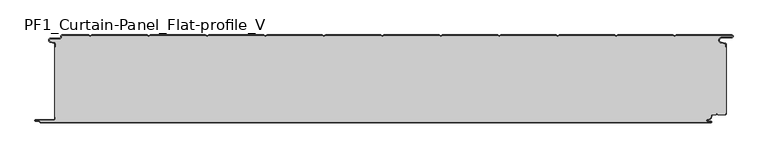
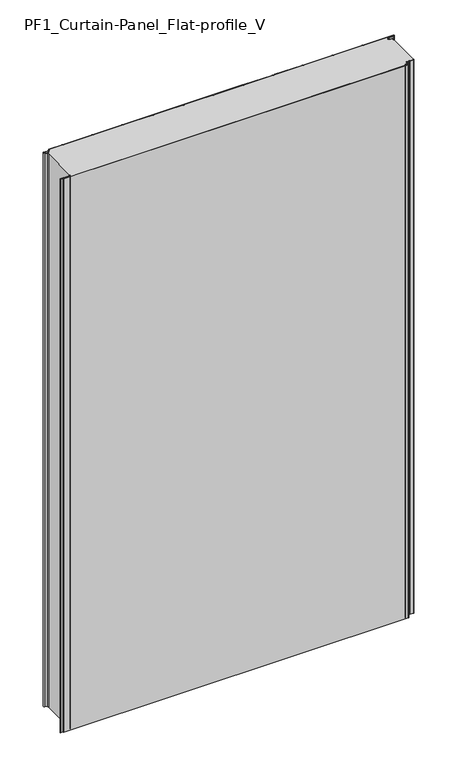
"""IFC4 building model written with IfcOpenShell, lengths in millimetres: plate geometry, PF1_Curtain-Panel_Flat-profile_V."""

from ifc_helpers import new_model, si_unit, point, frame_2d, origin, origin_with_axes, place, context, project, spatial, polyline, circle_curve, trimmed, segment, composite_curve, outline, extrude, source, transform, mapped, element, save


def pf1_curtain_panel_flat_profile_v_b2ac1d8e(model_context):
    return source(origin(), model_context, "Body", "SweptSolid", [
        extrude(outline(composite_curve([segment(trimmed(circle_curve(frame_2d((-577.0, -15.878557)), 2.0), [point((-575.0, -15.878557))], [point((-576.5500978, -13.9298169))], True, "CARTESIAN"), True, "CONTINUOUS"), segment(polyline([(-576.5500978, -13.9298169), (-582.7098239, -12.507732)]), True, "CONTINUOUS"), segment(trimmed(circle_curve(frame_2d((-581.9, -9.0)), 3.6), [point((-582.7098239, -12.507732))], [point((-581.9, -5.4))], False, "CARTESIAN"), True, "CONTINUOUS"), segment(polyline([(-581.9, -5.4), (-566.4, -5.4)]), True, "CONTINUOUS"), segment(trimmed(circle_curve(frame_2d((-566.4, -3.4)), 2.0), [point((-566.4, -5.4))], [point((-564.4, -3.4))], True, "CARTESIAN"), True, "CONTINUOUS"), segment(polyline([(-564.4, -3.4), (-564.4, -2.0)]), True, "CONTINUOUS"), segment(trimmed(circle_curve(frame_2d((-562.4, -2.0)), 2.0), [point((-564.4, -2.0))], [point((-562.4, 0.0))], False, "CARTESIAN"), True, "CONTINUOUS"), segment(polyline([(-562.4, 0.0), (-517.0999995, 0.0), (-514.4, -1.5588455), (-511.7000005, 0.0), (-417.0999995, 0.0), (-414.4, -1.5588455), (-411.7000005, 0.0), (-317.0999995, 0.0), (-314.4, -1.5588455), (-311.7000005, 0.0), (-217.0999995, 0.0), (-214.4, -1.5588455), (-211.7000005, 0.0), (-117.0999995, 0.0), (-114.4, -1.5588455), (-111.7000005, 0.0), (-17.0999995, 0.0), (-14.4, -1.5588455), (-11.7000005, 0.0), (82.9000005, 0.0), (85.6, -1.5588455), (88.2999995, 0.0), (182.9000005, 0.0), (185.6, -1.5588455), (188.2999995, 0.0), (282.9000005, 0.0), (285.6, -1.5588455), (288.2999995, 0.0), (382.9000005, 0.0), (385.6, -1.5588455), (388.2999995, 0.0), (482.9000005, 0.0), (485.6, -1.5588455), (488.2999995, 0.0), (583.268846, 0.0)]), True, "CONTINUOUS"), segment(trimmed(circle_curve(frame_2d((583.268846, -2.5)), 2.5), [point((583.268846, 0.0))], [point((583.268846, -5.0))], False, "CARTESIAN"), True, "CONTINUOUS"), segment(polyline([(583.268846, -5.0), (566.268846, -5.0)]), True, "CONTINUOUS"), segment(trimmed(circle_curve(frame_2d((566.268846, -9.0)), 4.0), [point((566.268846, -5.0))], [point((565.574253, -12.939231))], True, "CARTESIAN"), True, "CONTINUOUS"), segment(polyline([(565.574253, -12.939231), (572.0203315, -14.0758491)]), True, "CONTINUOUS"), segment(trimmed(circle_curve(frame_2d((571.568846, -16.6363492)), 2.6), [point((572.0203315, -14.0758491))], [point((574.168846, -16.6363492))], False, "CARTESIAN"), True, "CONTINUOUS"), segment(polyline([(574.168846, -16.6363492), (574.168846, -20.0), (573.368846, -20.0), (573.368846, -16.6363492)]), True, "CONTINUOUS"), segment(trimmed(circle_curve(frame_2d((571.568846, -16.6363492)), 1.8), [point((573.368846, -16.6363492))], [point((571.8814129, -14.8636953))], True, "CARTESIAN"), True, "CONTINUOUS"), segment(polyline([(571.8814129, -14.8636953), (565.4353344, -13.7270772)]), True, "CONTINUOUS"), segment(trimmed(circle_curve(frame_2d((566.268846, -9.0)), 4.8), [point((565.4353344, -13.7270772))], [point((566.268846, -4.2))], False, "CARTESIAN"), True, "CONTINUOUS"), segment(polyline([(566.268846, -4.2), (583.268846, -4.2)]), True, "CONTINUOUS"), segment(trimmed(circle_curve(frame_2d((583.268846, -2.5)), 1.7), [point((583.268846, -4.2))], [point((583.268846, -0.8))], True, "CARTESIAN"), True, "CONTINUOUS"), segment(polyline([(583.268846, -0.8), (488.5143588, -0.8), (485.6, -2.482606), (482.6856412, -0.8), (388.5143588, -0.8), (385.6, -2.482606), (382.6856412, -0.8), (288.5143588, -0.8), (285.6, -2.482606), (282.6856412, -0.8), (188.5143588, -0.8), (185.6, -2.482606), (182.6856412, -0.8), (88.5143588, -0.8), (85.6, -2.482606), (82.6856412, -0.8), (-11.4856412, -0.8), (-14.4, -2.482606), (-17.3143588, -0.8), (-111.4856412, -0.8), (-114.4, -2.482606), (-117.3143588, -0.8), (-211.4856412, -0.8), (-214.4, -2.482606), (-217.3143588, -0.8), (-311.4856412, -0.8), (-314.4, -2.482606), (-317.3143588, -0.8), (-411.4856412, -0.8), (-414.4, -2.482606), (-417.3143588, -0.8), (-511.4856412, -0.8), (-514.4, -2.482606), (-517.3143588, -0.8), (-562.4, -0.8)]), True, "CONTINUOUS"), segment(trimmed(circle_curve(frame_2d((-562.4, -2.0)), 1.2), [point((-562.4, -0.8))], [point((-563.6, -2.0))], True, "CARTESIAN"), True, "CONTINUOUS"), segment(polyline([(-563.6, -2.0), (-563.6, -3.4)]), True, "CONTINUOUS"), segment(trimmed(circle_curve(frame_2d((-566.4, -3.4)), 2.8), [point((-563.6, -3.4))], [point((-566.4, -6.2))], False, "CARTESIAN"), True, "CONTINUOUS"), segment(polyline([(-566.4, -6.2), (-581.9, -6.2)]), True, "CONTINUOUS"), segment(trimmed(circle_curve(frame_2d((-581.9, -9.0)), 2.8), [point((-581.9, -6.2))], [point((-582.529863, -11.7282362))], True, "CARTESIAN"), True, "CONTINUOUS"), segment(polyline([(-582.529863, -11.7282362), (-576.370137, -13.150321)]), True, "CONTINUOUS"), segment(trimmed(circle_curve(frame_2d((-577.0, -15.878557)), 2.8), [point((-576.370137, -13.150321))], [point((-574.2, -15.878557))], False, "CARTESIAN"), True, "CONTINUOUS"), segment(polyline([(-574.2, -15.878557), (-574.2, -20.0), (-575.0, -20.0), (-575.0, -15.878557)]), True, "CONTINUOUS")], self_intersect=False)), origin_with_axes(), (0.0, 0.0, 1.0), 1945.7507136),
        extrude(outline(composite_curve([segment(polyline([(-574.2, -140.0), (-575.0, -140.0), (-575.0, -20.0), (-574.2, -20.0), (-574.2, -15.878557)]), True, "CONTINUOUS"), segment(trimmed(circle_curve(frame_2d((-577.0, -15.878557)), 2.8), [point((-574.2, -15.878557))], [point((-576.370137, -13.1503208))], True, "CARTESIAN"), True, "CONTINUOUS"), segment(polyline([(-576.370137, -13.1503208), (-582.529863, -11.7282362)]), True, "CONTINUOUS"), segment(trimmed(circle_curve(frame_2d((-581.9, -9.0)), 2.8), [point((-582.529863, -11.7282362))], [point((-581.9, -6.2))], False, "CARTESIAN"), True, "CONTINUOUS"), segment(polyline([(-581.9, -6.2), (-566.4, -6.2)]), True, "CONTINUOUS"), segment(trimmed(circle_curve(frame_2d((-566.4, -3.4)), 2.8), [point((-566.4, -6.2))], [point((-563.6, -3.4))], True, "CARTESIAN"), True, "CONTINUOUS"), segment(polyline([(-563.6, -3.4), (-563.6, -2.0)]), True, "CONTINUOUS"), segment(trimmed(circle_curve(frame_2d((-562.4, -2.0)), 1.2), [point((-563.6, -2.0))], [point((-562.4, -0.8))], False, "CARTESIAN"), True, "CONTINUOUS"), segment(polyline([(-562.4, -0.8), (-517.3143588, -0.8), (-514.4, -2.482606), (-511.4856412, -0.8), (-417.3143588, -0.8), (-414.4, -2.482606), (-411.4856412, -0.8), (-317.3143588, -0.8), (-314.4, -2.482606), (-311.4856412, -0.8), (-217.3143588, -0.8), (-214.4, -2.482606), (-211.4856412, -0.8), (-117.3143588, -0.8), (-114.4, -2.482606), (-111.4856412, -0.8), (-17.3143588, -0.8), (-14.4, -2.482606), (-11.4856412, -0.8), (82.6856412, -0.8), (85.6, -2.482606), (88.5143588, -0.8), (182.6856412, -0.8), (185.6, -2.482606), (188.5143588, -0.8), (282.6856412, -0.8), (285.6, -2.482606), (288.5143588, -0.8), (382.6856412, -0.8), (385.6, -2.482606), (388.5143588, -0.8), (482.6856412, -0.8), (485.6, -2.482606), (488.5143588, -0.8), (583.268846, -0.8)]), True, "CONTINUOUS"), segment(trimmed(circle_curve(frame_2d((583.268846, -2.5)), 1.7), [point((583.268846, -0.8))], [point((583.268846, -4.2))], False, "CARTESIAN"), True, "CONTINUOUS"), segment(polyline([(583.268846, -4.2), (566.268846, -4.2)]), True, "CONTINUOUS"), segment(trimmed(circle_curve(frame_2d((566.268846, -9.0)), 4.8), [point((566.268846, -4.2))], [point((565.4353344, -13.7270772))], True, "CARTESIAN"), True, "CONTINUOUS"), segment(polyline([(565.4353344, -13.7270772), (571.8814129, -14.8636953)]), True, "CONTINUOUS"), segment(trimmed(circle_curve(frame_2d((571.568846, -16.6363492)), 1.8), [point((571.8814129, -14.8636953))], [point((573.368846, -16.6363492))], False, "CARTESIAN"), True, "CONTINUOUS"), segment(polyline([(573.368846, -16.6363492), (573.368846, -20.0), (574.168846, -20.0), (574.168846, -133.0), (573.368846, -133.0), (573.368846, -134.4)]), True, "CONTINUOUS"), segment(trimmed(circle_curve(frame_2d((571.568846, -134.4)), 1.8), [point((573.368846, -134.4))], [point((571.568846, -136.2))], False, "CARTESIAN"), True, "CONTINUOUS"), segment(polyline([(571.568846, -136.2), (560.0002158, -136.2), (558.168846, -134.3686285), (556.3374762, -136.2), (550.168846, -136.2)]), True, "CONTINUOUS"), segment(trimmed(circle_curve(frame_2d((550.168846, -138.0)), 1.8), [point((550.168846, -136.2))], [point((548.368846, -138.0))], True, "CARTESIAN"), True, "CONTINUOUS"), segment(polyline([(548.368846, -138.0), (548.368846, -138.8276204)]), True, "CONTINUOUS"), segment(trimmed(circle_curve(frame_2d((542.9964664, -138.8276204)), 5.3723796), [point((548.368846, -138.8276204))], [point((542.9964664, -144.2))], False, "CARTESIAN"), True, "CONTINUOUS"), segment(polyline([(542.9964664, -144.2), (542.168846, -144.2)]), True, "CONTINUOUS"), segment(trimmed(circle_curve(frame_2d((542.168846, -146.4)), 2.2), [point((542.168846, -144.2))], [point((542.168846, -148.6))], True, "CARTESIAN"), True, "CONTINUOUS"), segment(polyline([(542.168846, -148.6), (548.0579973, -148.6)]), True, "CONTINUOUS"), segment(trimmed(circle_curve(frame_2d((548.0579973, -148.9)), 0.3), [point((548.0579973, -148.6))], [point((548.0579973, -149.2))], False, "CARTESIAN"), True, "CONTINUOUS"), segment(polyline([(548.0579973, -149.2), (-599.4, -149.2)]), True, "CONTINUOUS"), segment(trimmed(circle_curve(frame_2d((-599.4, -148.4)), 0.8), [point((-599.4, -149.2))], [point((-600.2, -148.4))], False, "CARTESIAN"), True, "CONTINUOUS"), segment(trimmed(circle_curve(frame_2d((-601.9, -148.6133333)), 1.7133333), [point((-600.2, -148.4))], [point((-601.9, -146.9))], True, "CARTESIAN"), True, "CONTINUOUS"), segment(polyline([(-601.9, -146.9), (-607.8700312, -146.9)]), True, "CONTINUOUS"), segment(trimmed(circle_curve(frame_2d((-607.8700312, -146.6)), 0.3), [point((-607.8700312, -146.9))], [point((-607.8700312, -146.3))], False, "CARTESIAN"), True, "CONTINUOUS"), segment(polyline([(-607.8700312, -146.3), (-577.0, -146.3)]), True, "CONTINUOUS"), segment(trimmed(circle_curve(frame_2d((-577.0, -143.5)), 2.8), [point((-577.0, -146.3))], [point((-574.2, -143.5))], True, "CARTESIAN"), True, "CONTINUOUS"), segment(polyline([(-574.2, -143.5), (-574.2, -140.0)]), True, "CONTINUOUS")], self_intersect=False)), origin_with_axes(), (0.0, 0.0, 1.0), 1945.7507136),
        extrude(outline(composite_curve([segment(polyline([(-575.0, -140.0), (-574.2, -140.0), (-574.2, -143.5)]), True, "CONTINUOUS"), segment(trimmed(circle_curve(frame_2d((-577.0, -143.5)), 2.8), [point((-574.2, -143.5))], [point((-577.0, -146.3))], False, "CARTESIAN"), True, "CONTINUOUS"), segment(polyline([(-577.0, -146.3), (-607.8700312, -146.3)]), True, "CONTINUOUS"), segment(trimmed(circle_curve(frame_2d((-607.8700312, -146.6)), 0.3), [point((-607.8700312, -146.3))], [point((-607.8700312, -146.9))], True, "CARTESIAN"), True, "CONTINUOUS"), segment(polyline([(-607.8700312, -146.9), (-601.9, -146.9)]), True, "CONTINUOUS"), segment(trimmed(circle_curve(frame_2d((-601.9, -148.6133333)), 1.7133333), [point((-601.9, -146.9))], [point((-600.2, -148.4))], False, "CARTESIAN"), True, "CONTINUOUS"), segment(trimmed(circle_curve(frame_2d((-599.4, -148.4)), 0.8), [point((-600.2, -148.4))], [point((-599.4, -149.2))], True, "CARTESIAN"), True, "CONTINUOUS"), segment(polyline([(-599.4, -149.2), (548.0579973, -149.2)]), True, "CONTINUOUS"), segment(trimmed(circle_curve(frame_2d((548.0579973, -148.9)), 0.3), [point((548.0579973, -149.2))], [point((548.0579973, -148.6))], True, "CARTESIAN"), True, "CONTINUOUS"), segment(polyline([(548.0579973, -148.6), (542.168846, -148.6)]), True, "CONTINUOUS"), segment(trimmed(circle_curve(frame_2d((542.168846, -146.4)), 2.2), [point((542.168846, -148.6))], [point((542.168846, -144.2))], False, "CARTESIAN"), True, "CONTINUOUS"), segment(polyline([(542.168846, -144.2), (542.9964664, -144.2)]), True, "CONTINUOUS"), segment(trimmed(circle_curve(frame_2d((542.9964664, -138.8276204)), 5.3723796), [point((542.9964664, -144.2))], [point((548.368846, -138.8276204))], True, "CARTESIAN"), True, "CONTINUOUS"), segment(polyline([(548.368846, -138.8276204), (548.368846, -138.0)]), True, "CONTINUOUS"), segment(trimmed(circle_curve(frame_2d((550.168846, -138.0)), 1.8), [point((548.368846, -138.0))], [point((550.168846, -136.2))], False, "CARTESIAN"), True, "CONTINUOUS"), segment(polyline([(550.168846, -136.2), (556.3374762, -136.2), (558.168846, -134.3686285), (560.0002158, -136.2), (571.568846, -136.2)]), True, "CONTINUOUS"), segment(trimmed(circle_curve(frame_2d((571.568846, -134.4)), 1.8), [point((571.568846, -136.2))], [point((573.368846, -134.4))], True, "CARTESIAN"), True, "CONTINUOUS"), segment(polyline([(573.368846, -134.4), (573.368846, -133.0), (574.168846, -133.0), (574.168846, -134.4)]), True, "CONTINUOUS"), segment(trimmed(circle_curve(frame_2d((571.568846, -134.4)), 2.6), [point((574.168846, -134.4))], [point((571.568846, -137.0))], False, "CARTESIAN"), True, "CONTINUOUS"), segment(polyline([(571.568846, -137.0), (559.6688448, -137.0), (558.168846, -135.4999999), (556.6688472, -137.0), (550.168846, -137.0)]), True, "CONTINUOUS"), segment(trimmed(circle_curve(frame_2d((550.168846, -138.0)), 1.0), [point((550.168846, -137.0))], [point((549.168846, -138.0))], True, "CARTESIAN"), True, "CONTINUOUS"), segment(polyline([(549.168846, -138.0), (549.168846, -138.8276204)]), True, "CONTINUOUS"), segment(trimmed(circle_curve(frame_2d((542.9964664, -138.8276204)), 6.1723796), [point((549.168846, -138.8276204))], [point((542.9964664, -145.0))], False, "CARTESIAN"), True, "CONTINUOUS"), segment(polyline([(542.9964664, -145.0), (542.168846, -145.0)]), True, "CONTINUOUS"), segment(trimmed(circle_curve(frame_2d((542.168846, -146.5)), 1.5), [point((542.168846, -145.0))], [point((542.168846, -148.0))], True, "CARTESIAN"), True, "CONTINUOUS"), segment(polyline([(542.168846, -148.0), (548.168846, -148.0)]), True, "CONTINUOUS"), segment(trimmed(circle_curve(frame_2d((548.168846, -149.0)), 1.0), [point((548.168846, -148.0))], [point((548.168846, -150.0))], False, "CARTESIAN"), True, "CONTINUOUS"), segment(polyline([(548.168846, -150.0), (-599.4, -150.0)]), True, "CONTINUOUS"), segment(trimmed(circle_curve(frame_2d((-599.4, -148.4)), 1.6), [point((-599.4, -150.0))], [point((-601.0, -148.4))], False, "CARTESIAN"), True, "CONTINUOUS"), segment(trimmed(circle_curve(frame_2d((-601.9, -148.4)), 0.9), [point((-601.0, -148.4))], [point((-601.9, -147.5))], True, "CARTESIAN"), True, "CONTINUOUS"), segment(polyline([(-601.9, -147.5), (-608.0, -147.5)]), True, "CONTINUOUS"), segment(trimmed(circle_curve(frame_2d((-608.0, -146.5)), 1.0), [point((-608.0, -147.5))], [point((-608.0, -145.5))], False, "CARTESIAN"), True, "CONTINUOUS"), segment(polyline([(-608.0, -145.5), (-577.0, -145.5)]), True, "CONTINUOUS"), segment(trimmed(circle_curve(frame_2d((-577.0, -143.5)), 2.0), [point((-577.0, -145.5))], [point((-575.0, -143.5))], True, "CARTESIAN"), True, "CONTINUOUS"), segment(polyline([(-575.0, -143.5), (-575.0, -140.0)]), True, "CONTINUOUS")], self_intersect=False)), origin_with_axes(), (0.0, 0.0, 1.0), 1945.7507136),
    ])


if __name__ == "__main__":
    model = new_model("IFC4")
    model_context = context("Model", 3, world=origin())
    ifc_project = project(units=[si_unit("LENGTHUNIT", "METRE", prefix="MILLI")], contexts=[model_context])
    site = spatial("IfcSite", under=ifc_project)
    building = spatial("IfcBuilding", under=site)
    placement = place(None, origin())
    pf1_curtain_panel_flat_profile_v_shape = pf1_curtain_panel_flat_profile_v_b2ac1d8e(model_context)
    element("IfcPlate", 1, ObjectType="PF1_Curtain-Panel_Flat-profile_V", at=placement, inside=building, context=model_context, shape_type="MappedRepresentation", body=[
        mapped(pf1_curtain_panel_flat_profile_v_shape, transform((0.0, 0.0, 0.0), x_axis=(1.0, 0.0, 0.0), y_axis=(0.0, 1.0, 0.0), z_axis=(0.0, 0.0, 1.0))),
    ])
    save(model, "model.ifc")
